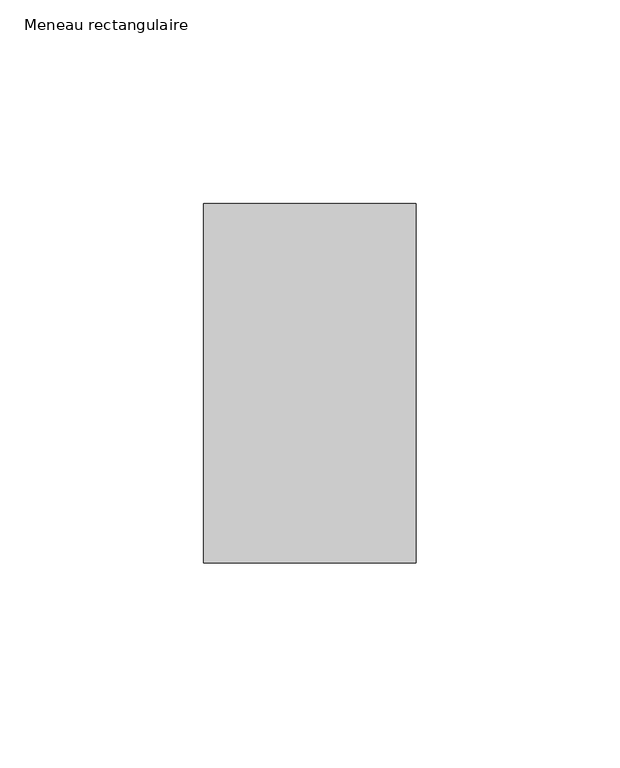
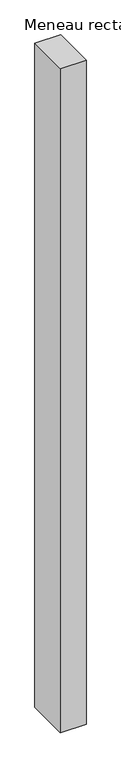
"""IFC4 building model written with IfcOpenShell, lengths in millimetres: member geometry, Meneau rectangulaire."""

from ifc_helpers import new_model, si_unit, frame, origin, place, context, project, spatial, polyline, outline, extrude, source, transform, mapped, element, save


def meneau_rectangulaire_4270549f(model_context):
    return source(origin(), model_context, "Body", "SweptSolid", [
        extrude(outline(polyline([(-52.0, 44.0), (0.0, 44.0), (0.0, -44.0), (-52.0, -44.0), (-52.0, 44.0)])), frame((0.0, 0.0, -1413.256074), z_axis=(0.0, 0.0, 1.0), x_axis=(1.0, 0.0, 0.0)), (0.0, 0.0, 1.0), 1413.256074),
    ])


if __name__ == "__main__":
    model = new_model("IFC4")
    model_context = context("Model", 3, world=origin())
    ifc_project = project(units=[si_unit("LENGTHUNIT", "METRE", prefix="MILLI")], contexts=[model_context])
    site = spatial("IfcSite", under=ifc_project)
    building = spatial("IfcBuilding", under=site)
    placement = place(None, origin())
    meneau_rectangulaire_shape = meneau_rectangulaire_4270549f(model_context)
    element("IfcMember", 1, ObjectType="Meneau rectangulaire", at=placement, inside=building, context=model_context, shape_type="MappedRepresentation", body=[
        mapped(meneau_rectangulaire_shape, transform((0.0, 0.0, 0.0), x_axis=(1.0, 0.0, 0.0), y_axis=(0.0, 1.0, 0.0), z_axis=(0.0, 0.0, 1.0))),
    ])
    save(model, "model.ifc")
